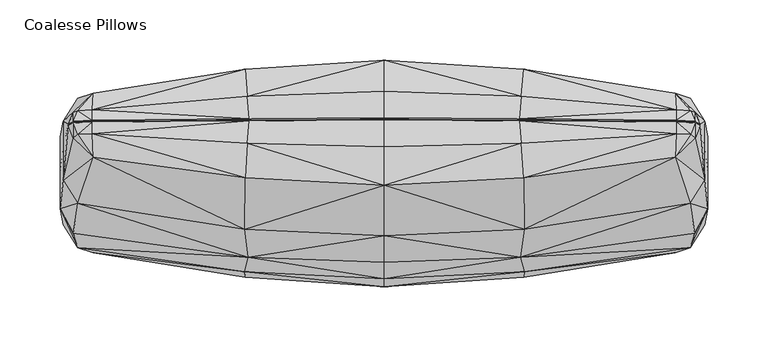
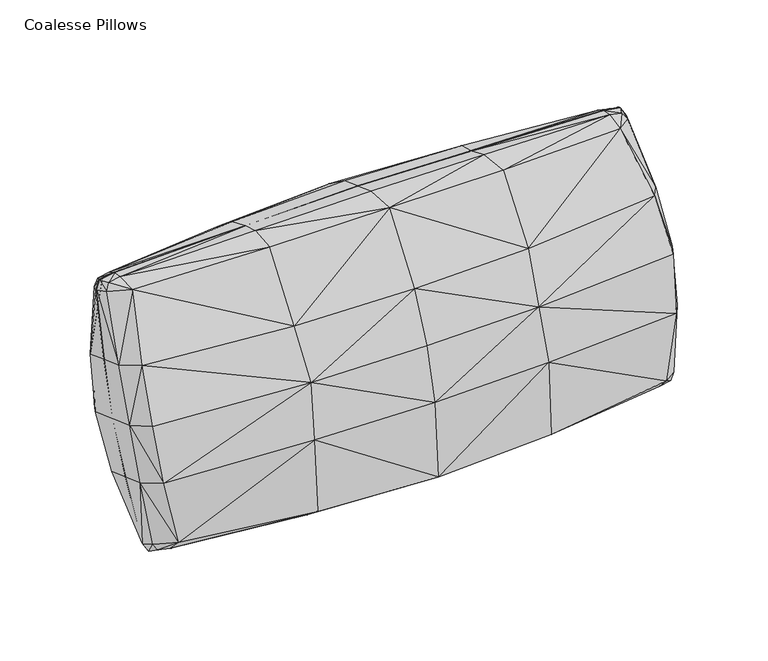
"""IFC4 building model written with IfcOpenShell, lengths in millimetres: furniture geometry, Coalesse Pillows."""

from ifc_helpers import new_model, si_unit, origin, place, context, project, spatial, triangles, source, transform, mapped, element, save


def coalesse_pillows_1b9fd231(model_context):
    return source(origin(), model_context, "Body", "Tessellation", [
        triangles([(0.0001954, -10.1185241, 269.7106266), (0.0001055, -52.453666, 210.3301486), (116.3206161, -46.7196183, 208.2172143), (115.814824, -4.0912865, 264.9565563), (0.0001091, -74.2009896, 163.4093752), (113.1859782, -70.2743079, 161.9801747), (254.4093076, -25.2242825, 202.4309941), (242.0466901, 12.9986388, 254.2521588), (258.3611013, -50.0190763, 154.6078413), (243.036855, 32.7945939, 256.4648689), (113.8667325, 24.7344255, 264.4076072), (0.0001902, 21.9244566, 267.7287163), (269.1917447, -29.640669, 147.1907794), (266.6809786, -6.0312475, 195.2920222), (258.7454892, 28.9829806, 248.5095587), (254.8684184, 32.1066794, 254.3816204), (112.2202305, 43.5029678, 257.5044312), (0.0001865, 44.2617106, 259.5938749), (243.051607, 42.4926234, 254.6547323), (258.624203, 41.8398426, 252.7572282), (263.0339629, 39.0803726, 245.2492926), (266.7591534, 17.750906, 186.7556791), (269.2070962, -0.5087605, 136.5876476), (112.3989442, 43.8916432, 256.335589), (0.0001865, 44.6512943, 258.4227618), (242.9391502, 42.8777743, 253.5499669), (257.3316401, 42.2896925, 251.9342043), (261.1658901, 39.7503171, 244.9573046), (264.7486111, 18.5004844, 186.5738407), (267.1893778, 0.2115926, 136.3254452), (0.0001784, 93.863157, 231.8644991), (115.8148149, 86.1901878, 232.0968977), (116.320598, 82.374069, 161.2310198), (8.24e-05, 88.1247263, 159.1638132), (113.185951, 70.6974425, 110.6707339), (8.47e-05, 74.6240969, 109.2415333), (242.046672, 66.2178786, 234.8819748), (254.4093076, 62.1883961, 170.6154216), (258.3611013, 50.4422563, 118.0429856), (243.0368368, 52.475626, 249.3015889), (113.8667325, 63.7555061, 250.2051311), (0.0001826, 68.0427944, 250.9429676), (269.1917447, 30.0638422, 125.4601745), (266.6809786, 42.8968457, 177.4836615), (258.7454892, 50.2819327, 240.757452), (254.8684184, 51.6635162, 247.2635955), (112.2202305, 44.9406935, 256.981171), (0.0001863, 45.702502, 259.0694701), (243.051607, 43.8829455, 254.1486949), (258.624203, 43.163331, 252.2754989), (263.0339629, 40.4512191, 244.7503587), (266.7591534, 19.1916156, 186.231347), (269.2070962, 0.9319462, 136.0632519), (-115.8145333, -4.0913368, 264.9565563), (-116.3204617, -46.7196546, 208.2172143), (-113.1858057, -70.2743397, 161.9801747), (-242.046563, 12.9985582, 254.2521588), (-254.9314233, -25.2243642, 202.4309941), (-258.9035645, -50.019158, 154.6078413), (-243.0366551, 32.7945122, 256.4648689), (-113.86646, 24.7343869, 264.4076072), (-269.734208, -29.6407575, 147.1907794), (-267.203058, -6.0313412, 195.2920222), (-258.745253, 28.9828943, 248.5095587), (-254.8681459, 32.1065977, 254.3816204), (-112.2200488, 43.5029315, 257.5044312), (-243.0514435, 42.4925417, 254.6547323), (-258.6240395, 41.8397608, 252.7572282), (-263.0337449, 39.0802863, 245.2492926), (-267.2811782, 17.7508185, 186.7556791), (-269.7495232, -0.508867, 136.5876476), (-112.3986717, 43.8915933, 256.335589), (-242.9389867, 42.8776926, 253.5499669), (-257.3314948, 42.2896107, 251.9342043), (-261.1657448, 39.7502354, 244.9573046), (-265.2706178, 18.5003992, 186.5738407), (-267.7319138, 0.2114867, 136.3254452), (-116.3204799, 82.3740236, 161.2310198), (-115.8145514, 86.1901424, 232.0968977), (-113.185842, 70.6973835, 110.6707339), (-254.9314233, 62.1883144, 170.6154216), (-242.0465811, 66.2178013, 234.8819748), (-258.9035645, 50.4421745, 118.0429856), (-243.0366733, 52.4755442, 249.3015889), (-113.86646, 63.7554607, 250.2051311), (-269.734208, 30.0637513, 125.4601745), (-267.203058, 42.8967548, 177.4836615), (-258.745253, 50.2818509, 240.757452), (-254.8681459, 51.6634345, 247.2635955), (-112.2200488, 44.9406571, 256.981171), (-243.0514435, 43.8828638, 254.1486949), (-258.6240395, 43.1632493, 252.2754989), (-263.0337449, 40.4511328, 244.7503587), (-267.2811782, 19.1915271, 186.231347), (-269.7495232, 0.9318397, 136.0633064), (0.0002093, -94.5102196, 37.8461637), (115.8148421, -86.8573164, 37.5584815), (116.3206252, -82.374069, 110.2572871), (0.0001113, -88.1247627, 112.3244302), (242.0466901, -66.2181011, 36.6055849), (254.4093076, -62.1883462, 100.8728944), (243.0368731, -52.4758304, 22.1859119), (113.8667506, -64.4226438, 19.4502367), (0.000205, -68.6898298, 18.7676135), (266.6809786, -42.8967821, 94.0046545), (258.7454892, -50.2821598, 30.7300601), (254.8684184, -51.6637342, 24.2239733), (112.2202396, -45.6078539, 12.6741446), (0.0002014, -46.3495419, 10.6411791), (243.051607, -43.8831862, 17.3387752), (258.624203, -43.1635536, 19.21197), (263.0339629, -40.4514462, 26.7371466), (266.7591534, -19.191577, 85.2569962), (0.0002012, -45.2983524, 11.2878591), (112.3989623, -44.55879, 13.3196937), (242.9391502, -42.8780014, 17.9375338), (257.3316401, -42.2899241, 19.5532964), (261.1658901, -39.7505579, 26.5301984), (264.7486111, -18.5004469, 84.9144753), (0.0001922, 9.4714791, -2.81e-05), (8.83e-05, 52.4536206, 61.1581856), (116.320607, 46.7196092, 63.2711107), (115.814824, 3.4241247, 4.6987241), (254.4093076, 25.2243188, 69.0572946), (242.0466901, -12.9988841, 17.2353669), (243.036855, -32.794821, 15.0226602), (113.8667506, -25.4015791, 5.2477073), (0.0001975, -22.5715079, 1.9819399), (266.6809786, 6.0312935, 76.196312), (258.7454892, -28.9832327, 22.977942), (254.8684184, -32.1069292, 17.1058713), (112.2202396, -44.1701191, 12.1508765), (0.0002011, -44.9087595, 10.1167483), (243.051607, -42.4928641, 16.8327616), (258.624203, -41.8400606, 18.7302748), (263.0339629, -39.0806087, 26.2381945), (266.7591534, -17.7508628, 84.7325915), (-116.3204526, -82.3741144, 110.2572871), (-115.8145242, -86.8573709, 37.5584815), (-254.9314233, -62.1884279, 100.8728944), (-242.0465448, -66.2181829, 36.6055849), (-243.036637, -52.4759121, 22.1859119), (-113.8664418, -64.4226893, 19.4502367), (-267.203058, -42.8968684, 94.0046545), (-258.745253, -50.2822415, 30.7300601), (-254.8681459, -51.663816, 24.2239733), (-112.2200307, -45.6078811, 12.6742037), (-243.0514435, -43.8832498, 17.3388342), (-258.6240395, -43.1636353, 19.21197), (-263.0337449, -40.4515371, 26.7371466), (-267.2811782, -19.1916633, 85.2569962), (-112.3986535, -44.5588263, 13.3196937), (-242.9389867, -42.8780832, 17.9375338), (-257.3314948, -42.2900059, 19.5532964), (-261.1657448, -39.7506396, 26.5301984), (-265.2706178, -18.5005332, 84.9144753), (-115.8145333, 3.4240867, 4.6987241), (-116.3204799, 46.7195683, 63.2711107), (-242.046563, -12.9989647, 17.2353669), (-254.9314233, 25.224237, 69.0572946), (-243.0366551, -32.794905, 15.0226602), (-113.8664418, -25.4016154, 5.2477073), (-267.203058, 6.0312061, 76.196312), (-258.745253, -28.983319, 22.977942), (-254.8681459, -32.107011, 17.1058713), (-112.2200307, -44.1701555, 12.1508765), (-243.0514435, -42.4929459, 16.8327616), (-258.6240395, -41.8401423, 18.7302748), (-263.0337449, -39.0806996, 26.2381945), (-267.2811782, -17.7509503, 84.7325915)], [[1, 2, 3], [1, 3, 4], [2, 5, 6], [2, 6, 3], [3, 7, 8], [3, 8, 4], [6, 9, 7], [6, 7, 3], [10, 11, 4], [10, 4, 8], [1, 4, 11], [1, 11, 12], [13, 14, 7], [13, 7, 9], [8, 7, 14], [8, 14, 15], [16, 10, 8], [16, 8, 15], [17, 18, 12], [17, 12, 11], [17, 11, 10], [17, 10, 19], [19, 10, 16], [19, 16, 20], [20, 16, 15], [20, 15, 21], [21, 15, 14], [21, 14, 22], [22, 14, 13], [22, 13, 23], [17, 24, 25], [17, 25, 18], [24, 17, 19], [24, 19, 26], [26, 19, 20], [26, 20, 27], [27, 20, 21], [27, 21, 28], [28, 21, 22], [28, 22, 29], [29, 22, 23], [29, 23, 30], [31, 32, 33], [31, 33, 34], [34, 33, 35], [34, 35, 36], [33, 32, 37], [33, 37, 38], [35, 33, 38], [35, 38, 39], [40, 37, 32], [40, 32, 41], [31, 42, 41], [31, 41, 32], [43, 39, 38], [43, 38, 44], [37, 45, 44], [37, 44, 38], [46, 45, 37], [46, 37, 40], [47, 41, 42], [47, 42, 48], [47, 49, 40], [47, 40, 41], [49, 50, 46], [49, 46, 40], [50, 51, 45], [50, 45, 46], [51, 52, 44], [51, 44, 45], [52, 53, 43], [52, 43, 44], [47, 48, 25], [47, 25, 24], [24, 26, 49], [24, 49, 47], [26, 27, 50], [26, 50, 49], [27, 28, 51], [27, 51, 50], [28, 29, 52], [28, 52, 51], [29, 30, 53], [29, 53, 52], [1, 54, 55], [1, 55, 2], [2, 55, 56], [2, 56, 5], [55, 54, 57], [55, 57, 58], [56, 55, 58], [56, 58, 59], [60, 57, 54], [60, 54, 61], [1, 12, 61], [1, 61, 54], [62, 59, 58], [62, 58, 63], [57, 64, 63], [57, 63, 58], [65, 64, 57], [65, 57, 60], [66, 61, 12], [66, 12, 18], [66, 67, 60], [66, 60, 61], [67, 68, 65], [67, 65, 60], [68, 69, 64], [68, 64, 65], [69, 70, 63], [69, 63, 64], [70, 71, 62], [70, 62, 63], [66, 18, 25], [66, 25, 72], [72, 73, 67], [72, 67, 66], [73, 74, 68], [73, 68, 67], [74, 75, 69], [74, 69, 68], [75, 76, 70], [75, 70, 69], [76, 77, 71], [76, 71, 70], [31, 34, 78], [31, 78, 79], [34, 36, 80], [34, 80, 78], [78, 81, 82], [78, 82, 79], [80, 83, 81], [80, 81, 78], [84, 85, 79], [84, 79, 82], [31, 79, 85], [31, 85, 42], [86, 87, 81], [86, 81, 83], [82, 81, 87], [82, 87, 88], [89, 84, 82], [89, 82, 88], [90, 48, 42], [90, 42, 85], [90, 85, 84], [90, 84, 91], [91, 84, 89], [91, 89, 92], [92, 89, 88], [92, 88, 93], [93, 88, 87], [93, 87, 94], [94, 87, 86], [94, 86, 95], [90, 72, 25], [90, 25, 48], [72, 90, 91], [72, 91, 73], [73, 91, 92], [73, 92, 74], [74, 92, 93], [74, 93, 75], [75, 93, 94], [75, 94, 76], [76, 94, 95], [76, 95, 77], [96, 97, 98], [96, 98, 99], [99, 98, 6], [99, 6, 5], [98, 97, 100], [98, 100, 101], [6, 98, 101], [6, 101, 9], [102, 100, 97], [102, 97, 103], [96, 104, 103], [96, 103, 97], [13, 9, 101], [13, 101, 105], [100, 106, 105], [100, 105, 101], [107, 106, 100], [107, 100, 102], [108, 103, 104], [108, 104, 109], [108, 110, 102], [108, 102, 103], [110, 111, 107], [110, 107, 102], [111, 112, 106], [111, 106, 107], [112, 113, 105], [112, 105, 106], [113, 23, 13], [113, 13, 105], [108, 109, 114], [108, 114, 115], [115, 116, 110], [115, 110, 108], [116, 117, 111], [116, 111, 110], [117, 118, 112], [117, 112, 111], [118, 119, 113], [118, 113, 112], [119, 30, 23], [119, 23, 113], [120, 121, 122], [120, 122, 123], [121, 36, 35], [121, 35, 122], [122, 124, 125], [122, 125, 123], [35, 39, 124], [35, 124, 122], [126, 127, 123], [126, 123, 125], [120, 123, 127], [120, 127, 128], [43, 129, 124], [43, 124, 39], [125, 124, 129], [125, 129, 130], [131, 126, 125], [131, 125, 130], [132, 133, 128], [132, 128, 127], [132, 127, 126], [132, 126, 134], [134, 126, 131], [134, 131, 135], [135, 131, 130], [135, 130, 136], [136, 130, 129], [136, 129, 137], [137, 129, 43], [137, 43, 53], [132, 115, 114], [132, 114, 133], [115, 132, 134], [115, 134, 116], [116, 134, 135], [116, 135, 117], [117, 135, 136], [117, 136, 118], [118, 136, 137], [118, 137, 119], [119, 137, 53], [119, 53, 30], [96, 99, 138], [96, 138, 139], [99, 5, 56], [99, 56, 138], [138, 140, 141], [138, 141, 139], [56, 59, 140], [56, 140, 138], [142, 143, 139], [142, 139, 141], [96, 139, 143], [96, 143, 104], [62, 144, 140], [62, 140, 59], [141, 140, 144], [141, 144, 145], [146, 142, 141], [146, 141, 145], [147, 109, 104], [147, 104, 143], [147, 143, 142], [147, 142, 148], [148, 142, 146], [148, 146, 149], [149, 146, 145], [149, 145, 150], [150, 145, 144], [150, 144, 151], [151, 144, 62], [151, 62, 71], [147, 152, 114], [147, 114, 109], [152, 147, 148], [152, 148, 153], [153, 148, 149], [153, 149, 154], [154, 149, 150], [154, 150, 155], [155, 150, 151], [155, 151, 156], [156, 151, 71], [156, 71, 77], [120, 157, 158], [120, 158, 121], [121, 158, 80], [121, 80, 36], [158, 157, 159], [158, 159, 160], [80, 158, 160], [80, 160, 83], [161, 159, 157], [161, 157, 162], [120, 128, 162], [120, 162, 157], [86, 83, 160], [86, 160, 163], [159, 164, 163], [159, 163, 160], [165, 164, 159], [165, 159, 161], [166, 162, 128], [166, 128, 133], [166, 167, 161], [166, 161, 162], [167, 168, 165], [167, 165, 161], [168, 169, 164], [168, 164, 165], [169, 170, 163], [169, 163, 164], [170, 95, 86], [170, 86, 163], [166, 133, 114], [166, 114, 152], [152, 153, 167], [152, 167, 166], [153, 154, 168], [153, 168, 167], [154, 155, 169], [154, 169, 168], [155, 156, 170], [155, 170, 169], [156, 77, 95], [156, 95, 170]]),
    ])


if __name__ == "__main__":
    model = new_model("IFC4")
    model_context = context("Model", 3, world=origin())
    ifc_project = project(units=[si_unit("LENGTHUNIT", "METRE", prefix="MILLI")], contexts=[model_context])
    site = spatial("IfcSite", under=ifc_project)
    building = spatial("IfcBuilding", under=site)
    placement = place(None, origin())
    coalesse_pillows_shape = coalesse_pillows_1b9fd231(model_context)
    element("IfcFurniture", 1, ObjectType="Coalesse Pillows", at=placement, inside=building, context=model_context, shape_type="MappedRepresentation", body=[
        mapped(coalesse_pillows_shape, transform((0.0, 0.0, 0.0), x_axis=(1.0, 0.0, 0.0), y_axis=(0.0, 1.0, 0.0), z_axis=(0.0, 0.0, 1.0))),
    ])
    save(model, "model.ifc")
